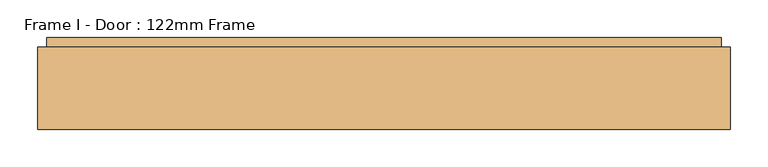
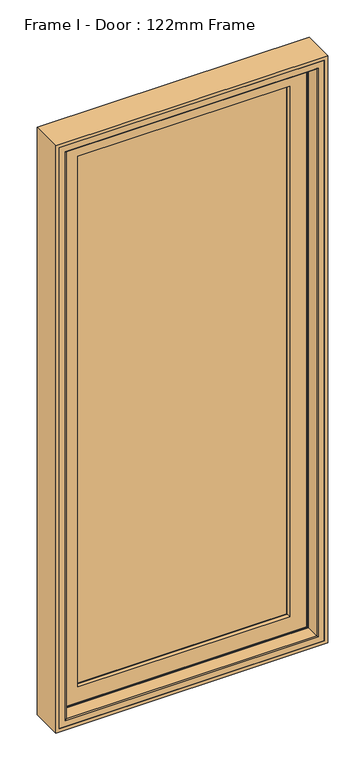
"""IFC4 building model written with IfcOpenShell, lengths in millimetres: door geometry, Frame I - Door : 122mm Frame."""

from ifc_helpers import new_model, si_unit, frame, origin, place, context, project, spatial, polyline, ellipse_curve, outline, extrude, source, transform, mapped, element, save
from ifc_brep_helpers import plane_surface, cylinder_surface, revolved_surface, advanced_brep


def frame_i_door_122mm_frame_e152d716(model_context):
    return source(origin(), model_context, "Body", "SolidModel", [
        extrude(outline(polyline([(2100.0, -460.0), (0.0, -460.0), (0.0, 460.0), (2100.0, 460.0), (2100.0, -460.0)]), holes=[polyline([(2088.0, 448.0), (12.0, 448.0), (12.0, -448.0), (2088.0, -448.0), (2088.0, 448.0)])]), frame((0.0, 32.0, 0.0), z_axis=(0.0, 1.0, 0.0), x_axis=(0.0, 0.0, 1.0)), (0.0, 0.0, 1.0), 109.0),
        extrude(outline(polyline([(-370.0, 141.0), (370.0, 141.0), (370.0, 93.0), (-370.0, 93.0), (-370.0, 141.0)])), frame((0.0, 0.0, 90.0), z_axis=(0.0, 0.0, 1.0), x_axis=(1.0, 0.0, 0.0)), (0.0, 0.0, 1.0), 1920.0),
        advanced_brep(
        [(-392.3998467, 148.4070391, 2032.3998467), (-392.3998467, 153.0, 2032.3998467), (-392.3998467, 153.0, 67.6001533), (-392.3998467, 148.4070391, 67.6001533), (392.3998467, 153.0, 2032.3998467), (392.3998467, 153.0, 67.6001533), (-372.9631076, 153.0, 87.0368924), (372.9631076, 153.0, 87.0368924), (372.9631076, 153.0, 2012.9631076), (-372.9631076, 153.0, 2012.9631076), (392.3998467, 148.4070391, 67.6001533), (-397.6739389, 139.5531262, 2037.6739389), (-397.6739389, 139.5531262, 62.3260611), (397.6739389, 139.5531262, 62.3260611), (-399.5133955, 139.5531262, 2039.5133955), (399.5133955, 139.5531262, 2039.5133955), (399.5133955, 139.5531262, 60.4866045), (-399.5133955, 139.5531262, 60.4866045), (397.6739389, 139.5531262, 2037.6739389), (-399.5133955, 121.0, 2039.5133955), (-399.5133955, 121.0, 60.4866045), (399.5133955, 121.0, 60.4866045), (-409.5133955, 121.0, 2049.5133955), (409.5133955, 121.0, 2049.5133955), (409.5133955, 121.0, 50.4866045), (-409.5133955, 121.0, 50.4866045), (399.5133955, 121.0, 2039.5133955), (-409.5133955, 88.5, 2049.5133955), (-409.5133955, 88.5, 50.4866045), (409.5133955, 88.5, 50.4866045), (-420.2977, 88.5, 2060.2977), (420.2976999, 88.5, 2060.2977), (420.2976999, 88.5, 39.7023001), (-420.2977, 88.5, 39.7023001), (409.5133955, 88.5, 2049.5133955), (-420.2977, 83.5, 2060.2977), (-420.2977, 83.5, 39.7023001), (420.2976999, 83.5, 39.7023001), (420.2976999, 83.5, 2060.2977), (-413.5, 83.5, 2053.5), (413.5, 83.5, 2053.5), (413.5, 83.5, 46.5), (-413.5, 83.5, 46.5), (-413.5, 78.0, 2053.5), (-413.5, 78.0, 46.5), (413.5, 78.0, 46.5), (413.5, 78.0, 2053.5), (-358.3157816, 78.0, 1998.3157816), (358.3157816, 78.0, 1998.3157816), (358.3157816, 78.0, 101.6842184), (-358.3157816, 78.0, 101.6842184), (-356.0003067, 88.8934531, 1996.0003067), (-356.0003067, 88.8934531, 103.9996933), (356.0003067, 88.8934531, 103.9996933), (-356.0003067, 93.0, 1996.0003067), (-356.0003067, 93.0, 103.9996933), (356.0003067, 93.0, 103.9996933), (-370.0, 93.0, 2010.0), (370.0, 93.0, 2010.0), (370.0, 93.0, 90.0), (-370.0, 93.0, 90.0), (356.0003067, 93.0, 1996.0003067), (-370.0, 141.0, 2010.0), (-370.0, 141.0, 90.0), (370.0, 141.0, 90.0), (370.0, 141.0, 2010.0), (-355.5878486, 141.0, 1995.5878486), (355.5878486, 141.0, 1995.5878486), (355.5878486, 141.0, 104.4121514), (-355.5878486, 141.0, 104.4121514), (-359.2566168, 153.0, 1999.2566168), (-359.2566168, 153.0, 100.7433832), (359.2566168, 153.0, 100.7433832), (-366.0349044, 153.0, 2006.0349044), (366.0349044, 153.0, 2006.0349044), (366.0349044, 153.0, 93.9650956), (-366.0349044, 153.0, 93.9650956), (359.2566168, 153.0, 1999.2566168), (-367.3339425, 152.25, 2007.3339425), (-367.3339425, 152.25, 92.6660575), (367.3339425, 152.25, 92.6660575), (-371.6640695, 152.25, 2011.6640695), (-371.6640695, 152.25, 88.3359305), (371.6640695, 152.25, 88.3359305), (392.3998467, 148.4070391, 2032.3998467), (356.0003067, 88.8934531, 1996.0003067), (367.3339425, 152.25, 2007.3339425), (371.6640695, 152.25, 2011.6640695)],
        [
            (0, 1),
            (1, 2),
            (2, 3),
            (3, 0),
            (1, 4),
            (4, 5),
            (5, 2),
            (6, 7),
            (7, 8),
            (8, 9),
            (9, 6),
            (5, 10),
            (10, 3),
            (11, 0),
            (3, 12),
            (12, 11),
            (10, 13),
            (13, 12),
            (14, 15),
            (15, 16),
            (16, 17),
            (17, 14),
            (13, 18),
            (18, 11),
            (19, 14),
            (17, 20),
            (20, 19),
            (16, 21),
            (21, 20),
            (22, 23),
            (23, 24),
            (24, 25),
            (25, 22),
            (21, 26),
            (26, 19),
            (27, 22),
            (25, 28),
            (28, 27),
            (24, 29),
            (29, 28),
            (30, 31),
            (31, 32),
            (32, 33),
            (33, 30),
            (29, 34),
            (34, 27),
            (35, 30),
            (33, 36),
            (36, 35),
            (32, 37),
            (37, 36),
            (37, 38),
            (38, 35),
            (39, 40),
            (40, 41),
            (41, 42),
            (42, 39),
            (43, 39),
            (42, 44),
            (44, 43),
            (41, 45),
            (45, 44),
            (45, 46),
            (46, 43),
            (47, 48),
            (48, 49),
            (49, 50),
            (50, 47),
            (51, 47),
            (50, 52),
            (52, 51),
            (49, 53),
            (53, 52),
            (54, 51),
            (52, 55),
            (55, 54),
            (53, 56),
            (56, 55),
            (57, 58),
            (58, 59),
            (59, 60),
            (60, 57),
            (56, 61),
            (61, 54),
            (62, 57),
            (60, 63),
            (63, 62),
            (59, 64),
            (64, 63),
            (64, 65),
            (65, 62),
            (66, 67),
            (67, 68),
            (68, 69),
            (69, 66),
            (70, 66),
            (69, 71),
            (71, 70),
            (68, 72),
            (72, 71),
            (73, 74),
            (74, 75),
            (75, 76),
            (76, 73),
            (72, 77),
            (77, 70),
            (78, 73, ellipse_curve(frame((-366.0349044, 151.5, 2006.0349044), z_axis=(-0.7071067811865475, 0.0, -0.7071067811865475), x_axis=(-0.7071067811865474, 0.0, 0.7071067811865476)), 2.1213203, 1.5)),
            (76, 79, ellipse_curve(frame((-366.0349044, 151.5, 93.9650956), z_axis=(-0.7071067811865475, 0.0, 0.7071067811865475), x_axis=(0.7071067811865474, 0.0, 0.7071067811865476)), 2.1213203, 1.5)),
            (79, 78),
            (75, 80, ellipse_curve(frame((366.0349044, 151.5, 93.9650956), z_axis=(-0.7071067811865475, 0.0, -0.7071067811865475), x_axis=(-0.7071067811865476, 0.0, 0.7071067811865474)), 2.1213203, 1.5)),
            (80, 79),
            (81, 78, ellipse_curve(frame((-369.499006, 153.5, 2009.499006), z_axis=(0.7071067811865475, 0.0, 0.7071067811865475), x_axis=(0.7071067811865474, 0.0, -0.7071067811865476)), 3.5355339, 2.5)),
            (79, 82, ellipse_curve(frame((-369.499006, 153.5, 90.500994), z_axis=(0.7071067811865475, 0.0, -0.7071067811865475), x_axis=(-0.7071067811865474, 0.0, -0.7071067811865476)), 3.5355339, 2.5)),
            (82, 81),
            (80, 83, ellipse_curve(frame((369.499006, 153.5, 90.500994), z_axis=(0.7071067811865475, 0.0, 0.7071067811865475), x_axis=(0.7071067811865476, 0.0, -0.7071067811865474)), 3.5355339, 2.5)),
            (83, 82),
            (9, 81, ellipse_curve(frame((-372.9631076, 151.5, 2012.9631076), z_axis=(-0.7071067811865475, 0.0, -0.7071067811865475), x_axis=(-0.7071067811865474, 0.0, 0.7071067811865476)), 2.1213203, 1.5)),
            (82, 6, ellipse_curve(frame((-372.9631076, 151.5, 87.0368924), z_axis=(-0.7071067811865475, 0.0, 0.7071067811865475), x_axis=(0.7071067811865474, 0.0, 0.7071067811865476)), 2.1213203, 1.5)),
            (83, 7, ellipse_curve(frame((372.9631076, 151.5, 87.0368924), z_axis=(-0.7071067811865475, 0.0, -0.7071067811865475), x_axis=(-0.7071067811865476, 0.0, 0.7071067811865474)), 2.1213203, 1.5)),
            (4, 84),
            (84, 10),
            (84, 18),
            (15, 26),
            (23, 34),
            (31, 38),
            (40, 46),
            (48, 85),
            (85, 53),
            (85, 61),
            (58, 65),
            (67, 77),
            (74, 86, ellipse_curve(frame((366.0349044, 151.5, 2006.0349044), z_axis=(0.7071067811865475, 0.0, -0.7071067811865475), x_axis=(-0.7071067811865474, 0.0, -0.7071067811865476)), 2.1213203, 1.5)),
            (86, 80),
            (86, 87, ellipse_curve(frame((369.499006, 153.5, 2009.499006), z_axis=(-0.7071067811865475, 0.0, 0.7071067811865475), x_axis=(0.7071067811865474, 0.0, 0.7071067811865476)), 3.5355339, 2.5)),
            (87, 83),
            (87, 8, ellipse_curve(frame((372.9631076, 151.5, 2012.9631076), z_axis=(0.7071067811865475, 0.0, -0.7071067811865475), x_axis=(-0.7071067811865474, 0.0, -0.7071067811865476)), 2.1213203, 1.5)),
            (0, 84),
            (51, 85),
            (78, 86),
            (81, 87),
        ],
        [
            plane_surface(frame((-392.3998467, 153.0, 2032.3998467), z_axis=(-1.0, 0.0, 0.0), x_axis=(0.0, 0.0, -1.0))),
            plane_surface(frame((372.9631076, 153.0, 2012.9631076), z_axis=(0.0, 1.0, 0.0), x_axis=(-1.0, 0.0, 0.0))),
            plane_surface(frame((-392.3998467, 153.0, 67.6001533), z_axis=(0.0, 0.0, -1.0), x_axis=(1.0, 0.0, 0.0))),
            plane_surface(frame((-392.3998467, 148.4070391, 2032.3998467), z_axis=(-0.8591262587254928, 0.5117636872310675, 0.0), x_axis=(0.0, 0.0, -1.0))),
            plane_surface(frame((-392.3998467, 148.4070391, 67.6001533), z_axis=(0.0, 0.5117636872310675, -0.8591262587254928), x_axis=(1.0, 0.0, 0.0))),
            plane_surface(frame((397.6739389, 139.5531262, 2037.6739389), z_axis=(0.0, 1.0, 0.0), x_axis=(-1.0, 0.0, 0.0))),
            plane_surface(frame((-399.5133955, 139.5531262, 2039.5133955), z_axis=(-1.0, 0.0, 0.0), x_axis=(0.0, 0.0, -1.0))),
            plane_surface(frame((-399.5133955, 139.5531262, 60.4866045), z_axis=(0.0, 0.0, -1.0), x_axis=(1.0, 0.0, 0.0))),
            plane_surface(frame((399.5133955, 121.0, 2039.5133955), z_axis=(0.0, 1.0, 0.0), x_axis=(-1.0, 0.0, 0.0))),
            plane_surface(frame((-409.5133955, 121.0, 2049.5133955), z_axis=(-1.0, 0.0, 0.0), x_axis=(0.0, 0.0, -1.0))),
            plane_surface(frame((-409.5133955, 121.0, 50.4866045), z_axis=(0.0, 0.0, -1.0), x_axis=(1.0, 0.0, 0.0))),
            plane_surface(frame((409.5133955, 88.5, 2049.5133955), z_axis=(0.0, 1.0, 0.0), x_axis=(-1.0, 0.0, 0.0))),
            plane_surface(frame((-420.2977, 88.5, 2060.2977), z_axis=(-1.0, 0.0, 0.0), x_axis=(0.0, 0.0, -1.0))),
            plane_surface(frame((-420.2977, 88.5, 39.7023001), z_axis=(0.0, 0.0, -1.0), x_axis=(1.0, 0.0, 0.0))),
            plane_surface(frame((420.2976999, 83.5, 2060.2977), z_axis=(0.0, -1.0, 0.0), x_axis=(-1.0, 0.0, 0.0))),
            plane_surface(frame((-413.5, 83.5, 2053.5), z_axis=(-1.0, 0.0, 0.0), x_axis=(0.0, 0.0, -1.0))),
            plane_surface(frame((-413.5, 83.5, 46.5), z_axis=(0.0, 0.0, -1.0), x_axis=(1.0, 0.0, 0.0))),
            plane_surface(frame((413.5, 78.0, 2053.5), z_axis=(0.0, -1.0, 0.0), x_axis=(-1.0, 0.0, 0.0))),
            plane_surface(frame((-358.3157816, 78.0, 1998.3157816), z_axis=(0.9781476007338071, -0.2079116908177525, 0.0), x_axis=(0.0, 0.0, -1.0))),
            plane_surface(frame((-358.3157816, 78.0, 101.6842184), z_axis=(0.0, -0.2079116908177525, 0.9781476007338071), x_axis=(1.0, 0.0, 0.0))),
            plane_surface(frame((-356.0003067, 88.8934531, 1996.0003067), z_axis=(1.0, 0.0, 0.0), x_axis=(0.0, 0.0, -1.0))),
            plane_surface(frame((-356.0003067, 88.8934531, 103.9996933), z_axis=(0.0, 0.0, 1.0), x_axis=(1.0, 0.0, 0.0))),
            plane_surface(frame((356.0003067, 93.0, 1996.0003067), z_axis=(0.0, 1.0, 0.0), x_axis=(-1.0, 0.0, 0.0))),
            plane_surface(frame((-370.0, 93.0, 2010.0), z_axis=(1.0, 0.0, 0.0), x_axis=(0.0, 0.0, -1.0))),
            plane_surface(frame((-370.0, 93.0, 90.0), z_axis=(0.0, 0.0, 1.0), x_axis=(1.0, 0.0, 0.0))),
            plane_surface(frame((370.0, 141.0, 2010.0), z_axis=(0.0, -1.0, 0.0), x_axis=(-1.0, 0.0, 0.0))),
            plane_surface(frame((-355.5878486, 141.0, 1995.5878486), z_axis=(0.9563047559629783, 0.29237170472292384, 0.0), x_axis=(0.0, 0.0, -1.0))),
            plane_surface(frame((-355.5878486, 141.0, 104.4121514), z_axis=(0.0, 0.29237170472292384, 0.9563047559629783), x_axis=(1.0, 0.0, 0.0))),
            plane_surface(frame((359.2566168, 153.0, 1999.2566168), z_axis=(0.0, 1.0, 0.0), x_axis=(-1.0, 0.0, 0.0))),
            cylinder_surface(frame((-366.0349044, 151.5, 2037.6), z_axis=(0.0, 0.0, 1.0), x_axis=(0.0, 1.0, 0.0)), 1.5),
            cylinder_surface(frame((-397.6, 151.5, 93.9650956), z_axis=(-1.0, 0.0, 0.0), x_axis=(0.0, 1.0, 0.0)), 1.5),
            revolved_surface(polyline([(-369.499006, 156.0, 88.00099400419504), (-369.499006, 156.0, 2011.999005995805)]), (-369.499006, 153.5, 2037.6), (0.0, 0.0, -1.0)),
            revolved_surface(polyline([(371.99900599580496, 156.0, 90.500994), (-371.9990059958049, 156.0, 90.500994)]), (-397.6, 153.5, 90.500994), (1.0, 0.0, 0.0)),
            cylinder_surface(frame((-372.9631076, 151.5, 2037.6), z_axis=(0.0, 0.0, 1.0), x_axis=(0.0, 1.0, 0.0)), 1.5),
            cylinder_surface(frame((-397.6, 151.5, 87.0368924), z_axis=(-1.0, 0.0, 0.0), x_axis=(0.0, 1.0, 0.0)), 1.5),
            plane_surface(frame((392.3998467, 153.0, 67.6001533), z_axis=(1.0, 0.0, 0.0), x_axis=(0.0, 0.0, 1.0))),
            plane_surface(frame((392.3998467, 148.4070391, 67.6001533), z_axis=(0.8591262587254928, 0.5117636872310675, 0.0), x_axis=(0.0, 0.0, 1.0))),
            plane_surface(frame((399.5133955, 139.5531262, 60.4866045), z_axis=(1.0, 0.0, 0.0), x_axis=(0.0, 0.0, 1.0))),
            plane_surface(frame((409.5133955, 121.0, 50.4866045), z_axis=(1.0, 0.0, 0.0), x_axis=(0.0, 0.0, 1.0))),
            plane_surface(frame((420.2976999, 88.5, 39.7023001), z_axis=(1.0, 0.0, 0.0), x_axis=(0.0, 0.0, 1.0))),
            plane_surface(frame((413.5, 83.5, 46.5), z_axis=(1.0, 0.0, 0.0), x_axis=(0.0, 0.0, 1.0))),
            plane_surface(frame((358.3157816, 78.0, 101.6842184), z_axis=(-0.9781476007338071, -0.2079116908177525, 0.0), x_axis=(0.0, 0.0, 1.0))),
            plane_surface(frame((356.0003067, 88.8934531, 103.9996933), z_axis=(-1.0, 0.0, 0.0), x_axis=(0.0, 0.0, 1.0))),
            plane_surface(frame((370.0, 93.0, 90.0), z_axis=(-1.0, 0.0, 0.0), x_axis=(0.0, 0.0, 1.0))),
            plane_surface(frame((355.5878486, 141.0, 104.4121514), z_axis=(-0.9563047559629783, 0.29237170472292384, 0.0), x_axis=(0.0, 0.0, 1.0))),
            cylinder_surface(frame((366.0349044, 151.5, 62.4), z_axis=(0.0, 0.0, -1.0), x_axis=(0.0, 1.0, 0.0)), 1.5),
            revolved_surface(polyline([(369.499006, 156.0, 2011.999005995805), (369.499006, 156.0, 88.00099400419509)]), (369.499006, 153.5, 62.4), (0.0, 0.0, 1.0)),
            cylinder_surface(frame((372.9631076, 151.5, 62.4), z_axis=(0.0, 0.0, -1.0), x_axis=(0.0, 1.0, 0.0)), 1.5),
            plane_surface(frame((392.3998467, 153.0, 2032.3998467), z_axis=(0.0, 0.0, 1.0), x_axis=(-1.0, 0.0, 0.0))),
            plane_surface(frame((392.3998467, 148.4070391, 2032.3998467), z_axis=(0.0, 0.5117636872310675, 0.8591262587254928), x_axis=(-1.0, 0.0, 0.0))),
            plane_surface(frame((399.5133955, 139.5531262, 2039.5133955), z_axis=(0.0, 0.0, 1.0), x_axis=(-1.0, 0.0, 0.0))),
            plane_surface(frame((409.5133955, 121.0, 2049.5133955), z_axis=(0.0, 0.0, 1.0), x_axis=(-1.0, 0.0, 0.0))),
            plane_surface(frame((420.2976999, 88.5, 2060.2977), z_axis=(0.0, 0.0, 1.0), x_axis=(-1.0, 0.0, 0.0))),
            plane_surface(frame((413.5, 83.5, 2053.5), z_axis=(0.0, 0.0, 1.0), x_axis=(-1.0, 0.0, 0.0))),
            plane_surface(frame((358.3157816, 78.0, 1998.3157816), z_axis=(0.0, -0.2079116908177525, -0.9781476007338071), x_axis=(-1.0, 0.0, 0.0))),
            plane_surface(frame((356.0003067, 88.8934531, 1996.0003067), z_axis=(0.0, 0.0, -1.0), x_axis=(-1.0, 0.0, 0.0))),
            plane_surface(frame((370.0, 93.0, 2010.0), z_axis=(0.0, 0.0, -1.0), x_axis=(-1.0, 0.0, 0.0))),
            plane_surface(frame((355.5878486, 141.0, 1995.5878486), z_axis=(0.0, 0.29237170472292384, -0.9563047559629783), x_axis=(-1.0, 0.0, 0.0))),
            cylinder_surface(frame((397.6, 151.5, 2006.0349044), z_axis=(1.0, 0.0, 0.0), x_axis=(0.0, 1.0, 0.0)), 1.5),
            revolved_surface(polyline([(-371.99900599580496, 156.0, 2009.499006), (371.9990059958049, 156.0, 2009.499006)]), (397.6, 153.5, 2009.499006), (-1.0, 0.0, 0.0)),
            cylinder_surface(frame((397.6, 151.5, 2012.9631076), z_axis=(1.0, 0.0, 0.0), x_axis=(0.0, 1.0, 0.0)), 1.5),
        ],
        [
            (0, [[1, 2, 3, 4]]),
            (1, [[5, 6, 7, -2], [8, 9, 10, 11]]),
            (2, [[-3, -7, 12, 13]]),
            (3, [[14, -4, 15, 16]]),
            (4, [[-15, -13, 17, 18]]),
            (5, [[19, 20, 21, 22], [-18, 23, 24, -16]]),
            (6, [[25, -22, 26, 27]]),
            (7, [[-26, -21, 28, 29]]),
            (8, [[30, 31, 32, 33], [-29, 34, 35, -27]]),
            (9, [[36, -33, 37, 38]]),
            (10, [[-37, -32, 39, 40]]),
            (11, [[41, 42, 43, 44], [-40, 45, 46, -38]]),
            (12, [[47, -44, 48, 49]]),
            (13, [[-48, -43, 50, 51]]),
            (14, [[-51, 52, 53, -49], [54, 55, 56, 57]]),
            (15, [[58, -57, 59, 60]]),
            (16, [[-59, -56, 61, 62]]),
            (17, [[-62, 63, 64, -60], [65, 66, 67, 68]]),
            (18, [[69, -68, 70, 71]]),
            (19, [[-70, -67, 72, 73]]),
            (20, [[74, -71, 75, 76]]),
            (21, [[-75, -73, 77, 78]]),
            (22, [[79, 80, 81, 82], [-78, 83, 84, -76]]),
            (23, [[85, -82, 86, 87]]),
            (24, [[-86, -81, 88, 89]]),
            (25, [[-89, 90, 91, -87], [92, 93, 94, 95]]),
            (26, [[96, -95, 97, 98]]),
            (27, [[-97, -94, 99, 100]]),
            (28, [[101, 102, 103, 104], [-100, 105, 106, -98]]),
            (29, [[107, -104, 108, 109]]),
            (30, [[-108, -103, 110, 111]]),
            (31, [[112, -109, 113, 114]]),
            (32, [[-113, -111, 115, 116]]),
            (33, [[117, -114, 118, -11]]),
            (34, [[-118, -116, 119, -8]]),
            (35, [[-12, -6, 120, 121]]),
            (36, [[-17, -121, 122, -23]]),
            (37, [[-28, -20, 123, -34]]),
            (38, [[-39, -31, 124, -45]]),
            (39, [[-50, -42, 125, -52]]),
            (40, [[-61, -55, 126, -63]]),
            (41, [[-72, -66, 127, 128]]),
            (42, [[-77, -128, 129, -83]]),
            (43, [[-88, -80, 130, -90]]),
            (44, [[-99, -93, 131, -105]]),
            (45, [[-110, -102, 132, 133]]),
            (46, [[-115, -133, 134, 135]]),
            (47, [[-119, -135, 136, -9]]),
            (48, [[-120, -5, -1, 137]]),
            (49, [[-122, -137, -14, -24]]),
            (50, [[-123, -19, -25, -35]]),
            (51, [[-124, -30, -36, -46]]),
            (52, [[-125, -41, -47, -53]]),
            (53, [[-126, -54, -58, -64]]),
            (54, [[-127, -65, -69, 138]]),
            (55, [[-129, -138, -74, -84]]),
            (56, [[-130, -79, -85, -91]]),
            (57, [[-131, -92, -96, -106]]),
            (58, [[-132, -101, -107, 139]]),
            (59, [[-134, -139, -112, 140]]),
            (60, [[-136, -140, -117, -10]]),
        ],
    ),
        advanced_brep(
        [(-424.0, 83.0, 2064.0), (-424.0, 35.0, 2064.0), (-424.0, 35.0, 36.0), (-424.0, 83.0, 36.0), (-427.0, 32.0, 2067.0), (-427.0, 32.0, 33.0), (424.0, 35.0, 36.0), (424.0, 83.0, 36.0), (424.0, 83.0, 2064.0), (-422.0, 83.0, 2062.0), (422.0, 83.0, 2062.0), (422.0, 83.0, 38.0), (-422.0, 83.0, 38.0), (-422.0, 111.4, 2062.0), (-422.0, 111.4, 38.0), (422.0, 111.4, 38.0), (422.0, 111.4, 2062.0), (-413.9000002, 111.4, 2053.9000002), (413.9000002, 111.4, 2053.9000002), (413.9000002, 111.4, 46.0999998), (-413.9000002, 111.4, 46.0999998), (-413.9000002, 126.0, 2053.9000002), (-413.9000002, 126.0, 46.0999998), (413.9000002, 126.0, 46.0999998), (413.9000002, 126.0, 2053.9000002), (-406.7201943, 126.0, 2046.7201943), (406.7201943, 126.0, 2046.7201943), (406.7201943, 126.0, 53.2798057), (-406.7201943, 126.0, 53.2798057), (-406.7201943, 140.2372876, 2046.7201943), (-406.7201943, 140.2372876, 53.2798057), (406.7201943, 140.2372876, 53.2798057), (406.7201943, 140.2372876, 2046.7201943), (-398.0131086, 140.2372876, 2038.0131086), (398.0131086, 140.2372876, 2038.0131086), (398.0131086, 140.2372876, 61.9868914), (-398.0131086, 140.2372876, 61.9868914), (-398.0131086, 143.3877115, 2038.0131086), (-398.0131086, 143.3877115, 61.9868914), (398.0131086, 143.3877115, 61.9868914), (-401.2576108, 154.0, 2041.2576108), (-401.2576108, 154.0, 58.7423892), (401.2576108, 154.0, 58.7423892), (-448.0, 154.0, 2088.0), (448.0, 154.0, 2088.0), (448.0, 154.0, 12.0), (-448.0, 154.0, 12.0), (401.2576108, 154.0, 2041.2576108), (-448.0, 90.5, 2088.0), (-448.0, 90.5, 12.0), (448.0, 90.5, 12.0), (448.0, 90.5, 2088.0), (-441.0, 90.5, 2081.0), (441.0, 90.5, 2081.0), (441.0, 90.5, 19.0), (-441.0, 90.5, 19.0), (427.0, 32.0, 33.0), (424.0, 35.0, 2064.0), (398.0131086, 143.3877115, 2038.0131086), (427.0, 32.0, 2067.0), (-448.0, 32.0, 12.0), (448.0, 32.0, 12.0), (448.0, 32.0, 2088.0), (-448.0, 32.0, 2088.0), (-448.0, 86.5, 12.0), (448.0, 86.5, 12.0), (448.0, 86.5, 2088.0), (-448.0, 86.5, 2088.0), (-441.0, 86.5, 2081.0), (-441.0, 86.5, 19.0), (441.0, 86.5, 19.0), (441.0, 86.5, 2081.0)],
        [
            (0, 1),
            (1, 2),
            (2, 3),
            (3, 0),
            (1, 4, ellipse_curve(frame((-427.0, 35.0, 2067.0), z_axis=(-0.7071067811865475, 0.0, -0.7071067811865475), x_axis=(-0.7071067811865474, 0.0, 0.7071067811865476)), 4.2426407, 3.0)),
            (4, 5),
            (5, 2, ellipse_curve(frame((-427.0, 35.0, 33.0), z_axis=(-0.7071067811865475, 0.0, 0.7071067811865475), x_axis=(0.7071067811865474, 0.0, 0.7071067811865476)), 4.2426407, 3.0)),
            (2, 6),
            (6, 7),
            (7, 3),
            (7, 8),
            (8, 0),
            (9, 10),
            (10, 11),
            (11, 12),
            (12, 9),
            (13, 9),
            (12, 14),
            (14, 13),
            (11, 15),
            (15, 14),
            (15, 16),
            (16, 13),
            (17, 18),
            (18, 19),
            (19, 20),
            (20, 17),
            (21, 17),
            (20, 22),
            (22, 21),
            (19, 23),
            (23, 22),
            (23, 24),
            (24, 21),
            (25, 26),
            (26, 27),
            (27, 28),
            (28, 25),
            (29, 25),
            (28, 30),
            (30, 29),
            (27, 31),
            (31, 30),
            (31, 32),
            (32, 29),
            (33, 34),
            (34, 35),
            (35, 36),
            (36, 33),
            (37, 33),
            (36, 38),
            (38, 37),
            (35, 39),
            (39, 38),
            (40, 37),
            (38, 41),
            (41, 40),
            (39, 42),
            (42, 41),
            (43, 44),
            (44, 45),
            (45, 46),
            (46, 43),
            (42, 47),
            (47, 40),
            (48, 43),
            (46, 49),
            (49, 48),
            (45, 50),
            (50, 49),
            (50, 51),
            (51, 48),
            (52, 53),
            (53, 54),
            (54, 55),
            (55, 52),
            (5, 56),
            (56, 6, ellipse_curve(frame((427.0, 35.0, 33.0), z_axis=(-0.7071067811865475, 0.0, -0.7071067811865475), x_axis=(-0.7071067811865476, 0.0, 0.7071067811865474)), 4.2426407, 3.0)),
            (6, 57),
            (57, 8),
            (10, 16),
            (18, 24),
            (26, 32),
            (34, 58),
            (58, 39),
            (58, 47),
            (44, 51),
            (56, 59),
            (59, 57, ellipse_curve(frame((427.0, 35.0, 2067.0), z_axis=(0.7071067811865475, 0.0, -0.7071067811865475), x_axis=(-0.7071067811865474, 0.0, -0.7071067811865476)), 4.2426407, 3.0)),
            (60, 61),
            (61, 62),
            (62, 63),
            (63, 60),
            (4, 59),
            (60, 64),
            (64, 65),
            (65, 61),
            (65, 66),
            (66, 62),
            (63, 67),
            (67, 64),
            (68, 52),
            (55, 69),
            (69, 68),
            (54, 70),
            (70, 69),
            (67, 66),
            (70, 71),
            (71, 68),
            (53, 71),
            (57, 1),
            (37, 58),
        ],
        [
            plane_surface(frame((-424.0, 35.0, 2064.0), z_axis=(1.0, 0.0, 0.0), x_axis=(0.0, 0.0, -1.0))),
            cylinder_surface(frame((-427.0, 35.0, 2088.0), z_axis=(0.0, 0.0, 1.0), x_axis=(0.0, 1.0, 0.0)), 3.0),
            plane_surface(frame((-424.0, 35.0, 36.0), z_axis=(0.0, 0.0, 1.0), x_axis=(1.0, 0.0, 0.0))),
            plane_surface(frame((424.0, 83.0, 2064.0), z_axis=(0.0, -1.0, 0.0), x_axis=(-1.0, 0.0, 0.0))),
            plane_surface(frame((-422.0, 83.0, 2062.0), z_axis=(1.0, 0.0, 0.0), x_axis=(0.0, 0.0, -1.0))),
            plane_surface(frame((-422.0, 83.0, 38.0), z_axis=(0.0, 0.0, 1.0), x_axis=(1.0, 0.0, 0.0))),
            plane_surface(frame((422.0, 111.4, 2062.0), z_axis=(0.0, -1.0, 0.0), x_axis=(-1.0, 0.0, 0.0))),
            plane_surface(frame((-413.9000002, 111.4, 2053.9000002), z_axis=(1.0, 0.0, 0.0), x_axis=(0.0, 0.0, -1.0))),
            plane_surface(frame((-413.9000002, 111.4, 46.0999998), z_axis=(0.0, 0.0, 1.0), x_axis=(1.0, 0.0, 0.0))),
            plane_surface(frame((413.9000002, 126.0, 2053.9000002), z_axis=(0.0, -1.0, 0.0), x_axis=(-1.0, 0.0, 0.0))),
            plane_surface(frame((-406.7201943, 126.0, 2046.7201943), z_axis=(1.0, 0.0, 0.0), x_axis=(0.0, 0.0, -1.0))),
            plane_surface(frame((-406.7201943, 126.0, 53.2798057), z_axis=(0.0, 0.0, 1.0), x_axis=(1.0, 0.0, 0.0))),
            plane_surface(frame((406.7201943, 140.2372876, 2046.7201943), z_axis=(0.0, -1.0, 0.0), x_axis=(-1.0, 0.0, 0.0))),
            plane_surface(frame((-398.0131086, 140.2372876, 2038.0131086), z_axis=(1.0, 0.0, 0.0), x_axis=(0.0, 0.0, -1.0))),
            plane_surface(frame((-398.0131086, 140.2372876, 61.9868914), z_axis=(0.0, 0.0, 1.0), x_axis=(1.0, 0.0, 0.0))),
            plane_surface(frame((-398.0131086, 143.3877115, 2038.0131086), z_axis=(0.9563047559629344, 0.29237170472306745, 0.0), x_axis=(0.0, 0.0, -1.0))),
            plane_surface(frame((-398.0131086, 143.3877115, 61.9868914), z_axis=(0.0, 0.29237170472306745, 0.9563047559629344), x_axis=(1.0, 0.0, 0.0))),
            plane_surface(frame((401.2576108, 154.0, 2041.2576108), z_axis=(0.0, 1.0, 0.0), x_axis=(-1.0, 0.0, 0.0))),
            plane_surface(frame((-448.0, 154.0, 2088.0), z_axis=(-1.0, 0.0, 0.0), x_axis=(0.0, 0.0, -1.0))),
            plane_surface(frame((-448.0, 154.0, 12.0), z_axis=(0.0, 0.0, -1.0), x_axis=(1.0, 0.0, 0.0))),
            plane_surface(frame((448.0, 90.5, 2088.0), z_axis=(0.0, -1.0, 0.0), x_axis=(-1.0, 0.0, 0.0))),
            cylinder_surface(frame((-448.0, 35.0, 33.0), z_axis=(-1.0, 0.0, 0.0), x_axis=(0.0, 1.0, 0.0)), 3.0),
            plane_surface(frame((424.0, 35.0, 36.0), z_axis=(-1.0, 0.0, 0.0), x_axis=(0.0, 0.0, 1.0))),
            plane_surface(frame((422.0, 83.0, 38.0), z_axis=(-1.0, 0.0, 0.0), x_axis=(0.0, 0.0, 1.0))),
            plane_surface(frame((413.9000002, 111.4, 46.0999998), z_axis=(-1.0, 0.0, 0.0), x_axis=(0.0, 0.0, 1.0))),
            plane_surface(frame((406.7201943, 126.0, 53.2798057), z_axis=(-1.0, 0.0, 0.0), x_axis=(0.0, 0.0, 1.0))),
            plane_surface(frame((398.0131086, 140.2372876, 61.9868914), z_axis=(-1.0, 0.0, 0.0), x_axis=(0.0, 0.0, 1.0))),
            plane_surface(frame((398.0131086, 143.3877115, 61.9868914), z_axis=(-0.9563047559629344, 0.29237170472306745, 0.0), x_axis=(0.0, 0.0, 1.0))),
            plane_surface(frame((448.0, 154.0, 12.0), z_axis=(1.0, 0.0, 0.0), x_axis=(0.0, 0.0, 1.0))),
            cylinder_surface(frame((427.0, 35.0, 12.0), z_axis=(0.0, 0.0, -1.0), x_axis=(0.0, 1.0, 0.0)), 3.0),
            plane_surface(frame((448.0, 32.0, 2088.0), z_axis=(0.0, -1.0, 0.0), x_axis=(-1.0, 0.0, 0.0))),
            plane_surface(frame((-448.0, 86.5, 12.0), z_axis=(0.0, 0.0, -1.0), x_axis=(1.0, 0.0, 0.0))),
            plane_surface(frame((448.0, 86.5, 12.0), z_axis=(1.0, 0.0, 0.0), x_axis=(0.0, 0.0, 1.0))),
            plane_surface(frame((-448.0, 86.5, 2088.0), z_axis=(-1.0, 0.0, 0.0), x_axis=(0.0, 0.0, -1.0))),
            plane_surface(frame((-441.0, 90.5, 2081.0), z_axis=(-1.0, 0.0, 0.0), x_axis=(0.0, 0.0, -1.0))),
            plane_surface(frame((-441.0, 90.5, 19.0), z_axis=(0.0, 0.0, -1.0), x_axis=(1.0, 0.0, 0.0))),
            plane_surface(frame((441.0, 86.5, 2081.0), z_axis=(0.0, 1.0, 0.0), x_axis=(-1.0, 0.0, 0.0))),
            plane_surface(frame((441.0, 90.5, 19.0), z_axis=(1.0, 0.0, 0.0), x_axis=(0.0, 0.0, 1.0))),
            plane_surface(frame((424.0, 35.0, 2064.0), z_axis=(0.0, 0.0, -1.0), x_axis=(-1.0, 0.0, 0.0))),
            plane_surface(frame((422.0, 83.0, 2062.0), z_axis=(0.0, 0.0, -1.0), x_axis=(-1.0, 0.0, 0.0))),
            plane_surface(frame((413.9000002, 111.4, 2053.9000002), z_axis=(0.0, 0.0, -1.0), x_axis=(-1.0, 0.0, 0.0))),
            plane_surface(frame((406.7201943, 126.0, 2046.7201943), z_axis=(0.0, 0.0, -1.0), x_axis=(-1.0, 0.0, 0.0))),
            plane_surface(frame((398.0131086, 140.2372876, 2038.0131086), z_axis=(0.0, 0.0, -1.0), x_axis=(-1.0, 0.0, 0.0))),
            plane_surface(frame((398.0131086, 143.3877115, 2038.0131086), z_axis=(0.0, 0.29237170472306745, -0.9563047559629344), x_axis=(-1.0, 0.0, 0.0))),
            plane_surface(frame((448.0, 154.0, 2088.0), z_axis=(0.0, 0.0, 1.0), x_axis=(-1.0, 0.0, 0.0))),
            cylinder_surface(frame((448.0, 35.0, 2067.0), z_axis=(1.0, 0.0, 0.0), x_axis=(0.0, 1.0, 0.0)), 3.0),
            plane_surface(frame((441.0, 90.5, 2081.0), z_axis=(0.0, 0.0, 1.0), x_axis=(-1.0, 0.0, 0.0))),
            plane_surface(frame((448.0, 86.5, 2088.0), z_axis=(0.0, 0.0, 1.0), x_axis=(-1.0, 0.0, 0.0))),
        ],
        [
            (0, [[1, 2, 3, 4]]),
            (1, [[5, 6, 7, -2]]),
            (2, [[-3, 8, 9, 10]]),
            (3, [[-10, 11, 12, -4], [13, 14, 15, 16]]),
            (4, [[17, -16, 18, 19]]),
            (5, [[-18, -15, 20, 21]]),
            (6, [[-21, 22, 23, -19], [24, 25, 26, 27]]),
            (7, [[28, -27, 29, 30]]),
            (8, [[-29, -26, 31, 32]]),
            (9, [[-32, 33, 34, -30], [35, 36, 37, 38]]),
            (10, [[39, -38, 40, 41]]),
            (11, [[-40, -37, 42, 43]]),
            (12, [[-43, 44, 45, -41], [46, 47, 48, 49]]),
            (13, [[50, -49, 51, 52]]),
            (14, [[-51, -48, 53, 54]]),
            (15, [[55, -52, 56, 57]]),
            (16, [[-56, -54, 58, 59]]),
            (17, [[60, 61, 62, 63], [-59, 64, 65, -57]]),
            (18, [[66, -63, 67, 68]]),
            (19, [[-67, -62, 69, 70]]),
            (20, [[-70, 71, 72, -68], [73, 74, 75, 76]]),
            (21, [[-7, 77, 78, -8]]),
            (22, [[-9, 79, 80, -11]]),
            (23, [[-20, -14, 81, -22]]),
            (24, [[-31, -25, 82, -33]]),
            (25, [[-42, -36, 83, -44]]),
            (26, [[-53, -47, 84, 85]]),
            (27, [[-58, -85, 86, -64]]),
            (28, [[-69, -61, 87, -71]]),
            (29, [[-78, 88, 89, -79]]),
            (30, [[90, 91, 92, 93], [94, -88, -77, -6]]),
            (31, [[95, 96, 97, -90]]),
            (32, [[-97, 98, 99, -91]]),
            (33, [[100, 101, -95, -93]]),
            (34, [[102, -76, 103, 104]]),
            (35, [[-103, -75, 105, 106]]),
            (36, [[107, -98, -96, -101], [-106, 108, 109, -104]]),
            (37, [[-105, -74, 110, -108]]),
            (38, [[-80, 111, -1, -12]]),
            (39, [[-81, -13, -17, -23]]),
            (40, [[-82, -24, -28, -34]]),
            (41, [[-83, -35, -39, -45]]),
            (42, [[-84, -46, -50, 112]]),
            (43, [[-86, -112, -55, -65]]),
            (44, [[-87, -60, -66, -72]]),
            (45, [[-89, -94, -5, -111]]),
            (46, [[-110, -73, -102, -109]]),
            (47, [[-99, -107, -100, -92]]),
        ],
    ),
    ])


if __name__ == "__main__":
    model = new_model("IFC4")
    model_context = context("Model", 3, world=origin())
    ifc_project = project(units=[si_unit("LENGTHUNIT", "METRE", prefix="MILLI")], contexts=[model_context])
    site = spatial("IfcSite", under=ifc_project)
    building = spatial("IfcBuilding", under=site)
    placement = place(None, origin())
    frame_i_door_122mm_frame_shape = frame_i_door_122mm_frame_e152d716(model_context)
    element("IfcDoor", 1, ObjectType="Frame I - Door : 122mm Frame", at=placement, inside=building, context=model_context, shape_type="MappedRepresentation", body=[
        mapped(frame_i_door_122mm_frame_shape, transform((0.0, 0.0, 0.0), x_axis=(1.0, 0.0, 0.0), y_axis=(0.0, 1.0, 0.0), z_axis=(0.0, 0.0, 1.0))),
    ])
    save(model, "model.ifc")
